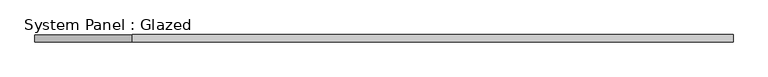
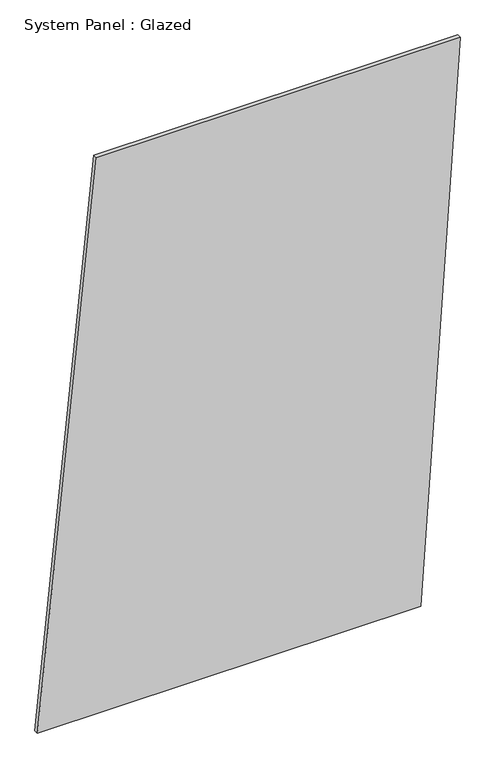
"""IFC4 building model written with IfcOpenShell, lengths in millimetres: plate geometry, System Panel : Glazed."""

from ifc_helpers import new_model, si_unit, frame, origin, place, context, project, spatial, polyline, outline, extrude, source, transform, mapped, element, save


def system_panel_glazed_45643472(model_context):
    return source(origin(), model_context, "Body", "SweptSolid", [
        extrude(outline(polyline([(0.0, -1200.0335082), (0.0, 976.5761623), (3336.3860932, 1200.0335082), (3336.3860932, -864.8474893), (0.0, -1200.0335082)])), frame((0.0, -49.5, 0.0), z_axis=(0.0, 1.0, 0.0), x_axis=(0.0, 0.0, 1.0)), (0.0, 0.0, 1.0), 25.0),
    ])


if __name__ == "__main__":
    model = new_model("IFC4")
    model_context = context("Model", 3, world=origin())
    ifc_project = project(units=[si_unit("LENGTHUNIT", "METRE", prefix="MILLI")], contexts=[model_context])
    site = spatial("IfcSite", under=ifc_project)
    building = spatial("IfcBuilding", under=site)
    placement = place(None, origin())
    system_panel_glazed_shape = system_panel_glazed_45643472(model_context)
    element("IfcPlate", 1, ObjectType="System Panel : Glazed", at=placement, inside=building, context=model_context, shape_type="MappedRepresentation", body=[
        mapped(system_panel_glazed_shape, transform((0.0, 0.0, 0.0), x_axis=(1.0, 0.0, 0.0), y_axis=(0.0, 1.0, 0.0), z_axis=(0.0, 0.0, 1.0))),
    ])
    save(model, "model.ifc")
